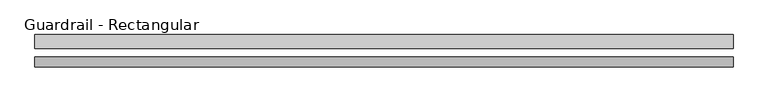
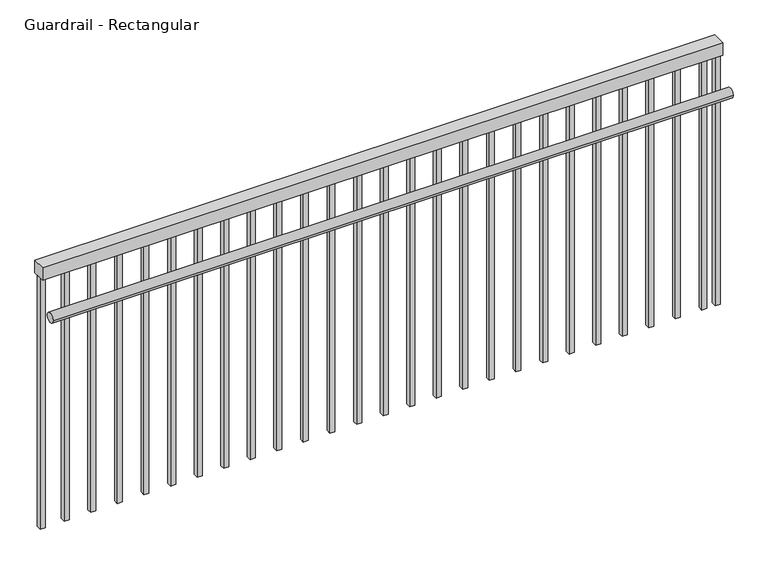
"""IFC4 building model written with IfcOpenShell, lengths in millimetres: railing geometry, Guardrail - Rectangular."""

from ifc_helpers import new_model, si_unit, point, frame, frame_2d, origin, place, context, project, spatial, polyline, circle_curve, trimmed, segment, composite_curve, outline, extrude, source, transform, mapped, element, save


def guardrail_rectangular_dabd572e(model_context):
    return source(origin(), model_context, "Body", "SweptSolid", [
        extrude(outline(polyline([(-8860.4855766, 1845.6594717), (-8860.4855766, 1896.4594717), (-6260.4855766, 1896.4594717), (-6260.4855766, 1845.6594717), (-8860.4855766, 1845.6594717)])), frame((0.0, 0.0, 4056.0), z_axis=(0.0, 0.0, 1.0), x_axis=(1.0, 0.0, 0.0)), (0.0, 0.0, 1.0), 50.8),
        extrude(outline(composite_curve([segment(trimmed(circle_curve(frame_2d((1794.8594717, 3935.35)), 19.05), [point((1775.8094717, 3935.35))], [point((1813.9094717, 3935.35))], False, "CARTESIAN"), True, "CONTINUOUS"), segment(trimmed(circle_curve(frame_2d((1794.8594717, 3935.35)), 19.05), [point((1813.9094717, 3935.35))], [point((1775.8094717, 3935.35))], False, "CARTESIAN"), True, "CONTINUOUS")], self_intersect=False)), frame((-8860.4855766, 0.0, 0.0), z_axis=(1.0, 0.0, 0.0), x_axis=(0.0, 1.0, 0.0)), (0.0, 0.0, 1.0), 2600.0),
        extrude(outline(polyline([(-6330.0105766, 1880.5844717), (-6310.9605766, 1880.5844717), (-6310.9605766, 1861.5344717), (-6330.0105766, 1861.5344717), (-6330.0105766, 1880.5844717)])), frame((0.0, 0.0, 3040.0), z_axis=(0.0, 0.0, 1.0), x_axis=(1.0, 0.0, 0.0)), (0.0, 0.0, 1.0), 1016.0),
        extrude(outline(polyline([(-6431.6105766, 1880.5844717), (-6412.5605766, 1880.5844717), (-6412.5605766, 1861.5344717), (-6431.6105766, 1861.5344717), (-6431.6105766, 1880.5844717)])), frame((0.0, 0.0, 3040.0), z_axis=(0.0, 0.0, 1.0), x_axis=(1.0, 0.0, 0.0)), (0.0, 0.0, 1.0), 1016.0),
        extrude(outline(polyline([(-6533.2105766, 1880.5844717), (-6514.1605766, 1880.5844717), (-6514.1605766, 1861.5344717), (-6533.2105766, 1861.5344717), (-6533.2105766, 1880.5844717)])), frame((0.0, 0.0, 3040.0), z_axis=(0.0, 0.0, 1.0), x_axis=(1.0, 0.0, 0.0)), (0.0, 0.0, 1.0), 1016.0),
        extrude(outline(polyline([(-6634.8105766, 1880.5844717), (-6615.7605766, 1880.5844717), (-6615.7605766, 1861.5344717), (-6634.8105766, 1861.5344717), (-6634.8105766, 1880.5844717)])), frame((0.0, 0.0, 3040.0), z_axis=(0.0, 0.0, 1.0), x_axis=(1.0, 0.0, 0.0)), (0.0, 0.0, 1.0), 1016.0),
        extrude(outline(polyline([(-6736.4105766, 1880.5844717), (-6717.3605766, 1880.5844717), (-6717.3605766, 1861.5344717), (-6736.4105766, 1861.5344717), (-6736.4105766, 1880.5844717)])), frame((0.0, 0.0, 3040.0), z_axis=(0.0, 0.0, 1.0), x_axis=(1.0, 0.0, 0.0)), (0.0, 0.0, 1.0), 1016.0),
        extrude(outline(polyline([(-6838.0105766, 1880.5844717), (-6818.9605766, 1880.5844717), (-6818.9605766, 1861.5344717), (-6838.0105766, 1861.5344717), (-6838.0105766, 1880.5844717)])), frame((0.0, 0.0, 3040.0), z_axis=(0.0, 0.0, 1.0), x_axis=(1.0, 0.0, 0.0)), (0.0, 0.0, 1.0), 1016.0),
        extrude(outline(polyline([(-6939.6105766, 1880.5844717), (-6920.5605766, 1880.5844717), (-6920.5605766, 1861.5344717), (-6939.6105766, 1861.5344717), (-6939.6105766, 1880.5844717)])), frame((0.0, 0.0, 3040.0), z_axis=(0.0, 0.0, 1.0), x_axis=(1.0, 0.0, 0.0)), (0.0, 0.0, 1.0), 1016.0),
        extrude(outline(polyline([(-7041.2105766, 1880.5844717), (-7022.1605766, 1880.5844717), (-7022.1605766, 1861.5344717), (-7041.2105766, 1861.5344717), (-7041.2105766, 1880.5844717)])), frame((0.0, 0.0, 3040.0), z_axis=(0.0, 0.0, 1.0), x_axis=(1.0, 0.0, 0.0)), (0.0, 0.0, 1.0), 1016.0),
        extrude(outline(polyline([(-7142.8105766, 1880.5844717), (-7123.7605766, 1880.5844717), (-7123.7605766, 1861.5344717), (-7142.8105766, 1861.5344717), (-7142.8105766, 1880.5844717)])), frame((0.0, 0.0, 3040.0), z_axis=(0.0, 0.0, 1.0), x_axis=(1.0, 0.0, 0.0)), (0.0, 0.0, 1.0), 1016.0),
        extrude(outline(polyline([(-7244.4105766, 1880.5844717), (-7225.3605766, 1880.5844717), (-7225.3605766, 1861.5344717), (-7244.4105766, 1861.5344717), (-7244.4105766, 1880.5844717)])), frame((0.0, 0.0, 3040.0), z_axis=(0.0, 0.0, 1.0), x_axis=(1.0, 0.0, 0.0)), (0.0, 0.0, 1.0), 1016.0),
        extrude(outline(polyline([(-7346.0105766, 1880.5844717), (-7326.9605766, 1880.5844717), (-7326.9605766, 1861.5344717), (-7346.0105766, 1861.5344717), (-7346.0105766, 1880.5844717)])), frame((0.0, 0.0, 3040.0), z_axis=(0.0, 0.0, 1.0), x_axis=(1.0, 0.0, 0.0)), (0.0, 0.0, 1.0), 1016.0),
        extrude(outline(polyline([(-7447.6105766, 1880.5844717), (-7428.5605766, 1880.5844717), (-7428.5605766, 1861.5344717), (-7447.6105766, 1861.5344717), (-7447.6105766, 1880.5844717)])), frame((0.0, 0.0, 3040.0), z_axis=(0.0, 0.0, 1.0), x_axis=(1.0, 0.0, 0.0)), (0.0, 0.0, 1.0), 1016.0),
        extrude(outline(polyline([(-7549.2105766, 1880.5844717), (-7530.1605766, 1880.5844717), (-7530.1605766, 1861.5344717), (-7549.2105766, 1861.5344717), (-7549.2105766, 1880.5844717)])), frame((0.0, 0.0, 3040.0), z_axis=(0.0, 0.0, 1.0), x_axis=(1.0, 0.0, 0.0)), (0.0, 0.0, 1.0), 1016.0),
        extrude(outline(polyline([(-7650.8105766, 1880.5844717), (-7631.7605766, 1880.5844717), (-7631.7605766, 1861.5344717), (-7650.8105766, 1861.5344717), (-7650.8105766, 1880.5844717)])), frame((0.0, 0.0, 3040.0), z_axis=(0.0, 0.0, 1.0), x_axis=(1.0, 0.0, 0.0)), (0.0, 0.0, 1.0), 1016.0),
        extrude(outline(polyline([(-7752.4105766, 1880.5844717), (-7733.3605766, 1880.5844717), (-7733.3605766, 1861.5344717), (-7752.4105766, 1861.5344717), (-7752.4105766, 1880.5844717)])), frame((0.0, 0.0, 3040.0), z_axis=(0.0, 0.0, 1.0), x_axis=(1.0, 0.0, 0.0)), (0.0, 0.0, 1.0), 1016.0),
        extrude(outline(polyline([(-7854.0105766, 1880.5844717), (-7834.9605766, 1880.5844717), (-7834.9605766, 1861.5344717), (-7854.0105766, 1861.5344717), (-7854.0105766, 1880.5844717)])), frame((0.0, 0.0, 3040.0), z_axis=(0.0, 0.0, 1.0), x_axis=(1.0, 0.0, 0.0)), (0.0, 0.0, 1.0), 1016.0),
        extrude(outline(polyline([(-7955.6105766, 1880.5844717), (-7936.5605766, 1880.5844717), (-7936.5605766, 1861.5344717), (-7955.6105766, 1861.5344717), (-7955.6105766, 1880.5844717)])), frame((0.0, 0.0, 3040.0), z_axis=(0.0, 0.0, 1.0), x_axis=(1.0, 0.0, 0.0)), (0.0, 0.0, 1.0), 1016.0),
        extrude(outline(polyline([(-8057.2105766, 1880.5844717), (-8038.1605766, 1880.5844717), (-8038.1605766, 1861.5344717), (-8057.2105766, 1861.5344717), (-8057.2105766, 1880.5844717)])), frame((0.0, 0.0, 3040.0), z_axis=(0.0, 0.0, 1.0), x_axis=(1.0, 0.0, 0.0)), (0.0, 0.0, 1.0), 1016.0),
        extrude(outline(polyline([(-8158.8105766, 1880.5844717), (-8139.7605766, 1880.5844717), (-8139.7605766, 1861.5344717), (-8158.8105766, 1861.5344717), (-8158.8105766, 1880.5844717)])), frame((0.0, 0.0, 3040.0), z_axis=(0.0, 0.0, 1.0), x_axis=(1.0, 0.0, 0.0)), (0.0, 0.0, 1.0), 1016.0),
        extrude(outline(polyline([(-8260.4105766, 1880.5844717), (-8241.3605766, 1880.5844717), (-8241.3605766, 1861.5344717), (-8260.4105766, 1861.5344717), (-8260.4105766, 1880.5844717)])), frame((0.0, 0.0, 3040.0), z_axis=(0.0, 0.0, 1.0), x_axis=(1.0, 0.0, 0.0)), (0.0, 0.0, 1.0), 1016.0),
        extrude(outline(polyline([(-8362.0105766, 1880.5844717), (-8342.9605766, 1880.5844717), (-8342.9605766, 1861.5344717), (-8362.0105766, 1861.5344717), (-8362.0105766, 1880.5844717)])), frame((0.0, 0.0, 3040.0), z_axis=(0.0, 0.0, 1.0), x_axis=(1.0, 0.0, 0.0)), (0.0, 0.0, 1.0), 1016.0),
        extrude(outline(polyline([(-8463.6105766, 1880.5844717), (-8444.5605766, 1880.5844717), (-8444.5605766, 1861.5344717), (-8463.6105766, 1861.5344717), (-8463.6105766, 1880.5844717)])), frame((0.0, 0.0, 3040.0), z_axis=(0.0, 0.0, 1.0), x_axis=(1.0, 0.0, 0.0)), (0.0, 0.0, 1.0), 1016.0),
        extrude(outline(polyline([(-8565.2105766, 1880.5844717), (-8546.1605766, 1880.5844717), (-8546.1605766, 1861.5344717), (-8565.2105766, 1861.5344717), (-8565.2105766, 1880.5844717)])), frame((0.0, 0.0, 3040.0), z_axis=(0.0, 0.0, 1.0), x_axis=(1.0, 0.0, 0.0)), (0.0, 0.0, 1.0), 1016.0),
        extrude(outline(polyline([(-8666.8105766, 1880.5844717), (-8647.7605766, 1880.5844717), (-8647.7605766, 1861.5344717), (-8666.8105766, 1861.5344717), (-8666.8105766, 1880.5844717)])), frame((0.0, 0.0, 3040.0), z_axis=(0.0, 0.0, 1.0), x_axis=(1.0, 0.0, 0.0)), (0.0, 0.0, 1.0), 1016.0),
        extrude(outline(polyline([(-8768.4105766, 1880.5844717), (-8749.3605766, 1880.5844717), (-8749.3605766, 1861.5344717), (-8768.4105766, 1861.5344717), (-8768.4105766, 1880.5844717)])), frame((0.0, 0.0, 3040.0), z_axis=(0.0, 0.0, 1.0), x_axis=(1.0, 0.0, 0.0)), (0.0, 0.0, 1.0), 1016.0),
        extrude(outline(polyline([(-6279.5355766, 1880.5844717), (-6260.4855766, 1880.5844717), (-6260.4855766, 1861.5344717), (-6279.5355766, 1861.5344717), (-6279.5355766, 1880.5844717)])), frame((0.0, 0.0, 3040.0), z_axis=(0.0, 0.0, 1.0), x_axis=(1.0, 0.0, 0.0)), (0.0, 0.0, 1.0), 1016.0),
        extrude(outline(polyline([(-8860.4855766, 1880.5844717), (-8841.4355766, 1880.5844717), (-8841.4355766, 1861.5344717), (-8860.4855766, 1861.5344717), (-8860.4855766, 1880.5844717)])), frame((0.0, 0.0, 3040.0), z_axis=(0.0, 0.0, 1.0), x_axis=(1.0, 0.0, 0.0)), (0.0, 0.0, 1.0), 1016.0),
    ])


if __name__ == "__main__":
    model = new_model("IFC4")
    model_context = context("Model", 3, world=origin())
    ifc_project = project(units=[si_unit("LENGTHUNIT", "METRE", prefix="MILLI")], contexts=[model_context])
    site = spatial("IfcSite", under=ifc_project)
    building = spatial("IfcBuilding", under=site)
    placement = place(None, origin())
    guardrail_rectangular_shape = guardrail_rectangular_dabd572e(model_context)
    element("IfcRailing", 1, ObjectType="Guardrail - Rectangular", at=placement, inside=building, context=model_context, shape_type="MappedRepresentation", body=[
        mapped(guardrail_rectangular_shape, transform((0.0, 0.0, 0.0), x_axis=(1.0, 0.0, 0.0), y_axis=(0.0, 1.0, 0.0), z_axis=(0.0, 0.0, 1.0))),
    ])
    save(model, "model.ifc")
